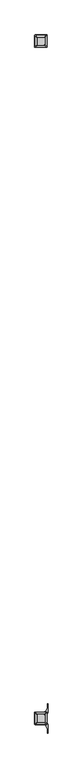
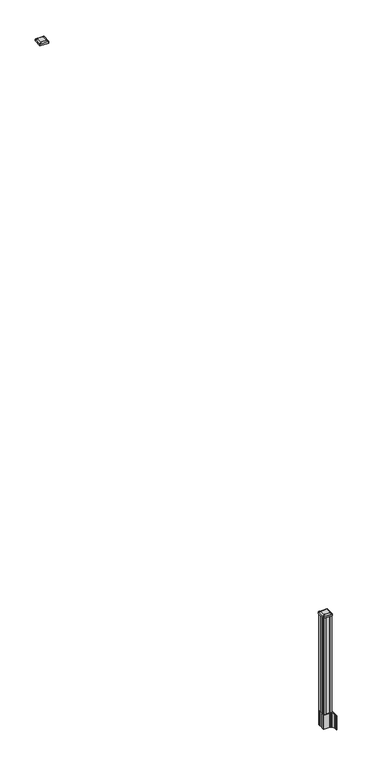
"""IFC4 building model written with IfcOpenShell, lengths in millimetres: railing geometry."""

from ifc_helpers import new_model, si_unit, point, frame, frame_2d, origin, place, context, project, spatial, polyline, circle_curve, trimmed, segment, composite_curve, outline, extrude, source, transform, mapped, element, save
from ifc_brep_helpers import plane_surface, extruded_surface, advanced_brep


def railing_51634952(model_context):
    return source(origin(), model_context, "Body", "SolidModel", [
        advanced_brep(
        [(5966.2626478, -82569.2327203, 4324.315513), (5969.4376478, -82566.0577203, 4324.315513), (5969.4376478, -82514.4639703, 4324.315513), (5966.2626478, -82511.2889703, 4324.315513), (5914.6688978, -82511.2889703, 4324.315513), (5911.4938978, -82514.4639703, 4324.315513), (5911.4938978, -82566.0577203, 4324.315513), (5914.6688978, -82569.2327203, 4324.315513), (5982.5345228, -82585.5045953, 4313.012513), (5898.3970228, -82585.5045953, 4313.012513), (5895.2220228, -82582.3295953, 4313.012513), (5895.2220228, -82498.1920953, 4313.012513), (5898.3970228, -82495.0170953, 4313.012513), (5982.5345228, -82495.0170953, 4313.012513), (5985.7095228, -82498.1920953, 4313.012513), (5985.7095228, -82582.3295953, 4313.012513)],
        [
            (0, 1, circle_curve(frame((5966.2626478, -82566.0577203, 4324.315513), z_axis=(0.0, 0.0, 1.0), x_axis=(0.0, 1.0, 0.0)), 3.175)),
            (1, 2),
            (2, 3, circle_curve(frame((5966.2626478, -82514.4639703, 4324.315513), z_axis=(0.0, 0.0, 1.0), x_axis=(0.0, 1.0, 0.0)), 3.175)),
            (3, 4),
            (4, 5, circle_curve(frame((5914.6688978, -82514.4639703, 4324.315513), z_axis=(0.0, 0.0, 1.0), x_axis=(0.0, 1.0, 0.0)), 3.175)),
            (5, 6),
            (6, 7, circle_curve(frame((5914.6688978, -82566.0577203, 4324.315513), z_axis=(0.0, 0.0, 1.0), x_axis=(0.0, 1.0, 0.0)), 3.175)),
            (7, 0),
            (8, 9),
            (9, 10, circle_curve(frame((5898.3970228, -82582.3295953, 4313.012513), z_axis=(0.0, 0.0, -1.0), x_axis=(0.0, 1.0, 0.0)), 3.175)),
            (10, 11),
            (11, 12, circle_curve(frame((5898.3970228, -82498.1920953, 4313.012513), z_axis=(0.0, 0.0, -1.0), x_axis=(0.0, 1.0, 0.0)), 3.175)),
            (12, 13),
            (13, 14, circle_curve(frame((5982.5345228, -82498.1920953, 4313.012513), z_axis=(0.0, 0.0, -1.0), x_axis=(0.0, 1.0, 0.0)), 3.175)),
            (14, 15),
            (15, 8, circle_curve(frame((5982.5345228, -82582.3295953, 4313.012513), z_axis=(0.0, 0.0, -1.0), x_axis=(0.0, 1.0, 0.0)), 3.175)),
            (15, 1),
            (0, 8),
            (14, 2),
            (13, 3),
            (12, 4),
            (11, 5),
            (10, 6),
            (9, 7),
        ],
        [
            plane_surface(frame((5940.4657728, -82540.2608453, 4324.315513), z_axis=(0.0, 0.0, 1.0), x_axis=(1.0, 0.0, 0.0))),
            plane_surface(frame((5940.4657728, -82540.2608453, 4313.012513), z_axis=(0.0, 0.0, -1.0), x_axis=(1.0, 0.0, 0.0))),
            extruded_surface(trimmed(circle_curve(frame((5982.5345228, -82582.3295953, 4313.012513), z_axis=(0.0, 0.0, 1.0), x_axis=(0.0, 1.0, 0.0)), 3.175), [point((5982.5345228, -82585.5045953, 4313.012513))], [point((5985.7095228, -82582.3295953, 4313.012513))], True, "CARTESIAN"), (-16.271874999999454, 16.27187500000582, 11.302999999999884), 25.63797263886946),
            plane_surface(frame((5985.7095228, -82540.2608453, 4313.012513), z_axis=(0.5705009161540687, 0.0, 0.8212969649690472), x_axis=(0.0, 1.0, 0.0))),
            extruded_surface(trimmed(circle_curve(frame((5982.5345228, -82498.1920953, 4313.012513), z_axis=(0.0, 0.0, 1.0), x_axis=(0.0, 1.0, 0.0)), 3.175), [point((5985.7095228, -82498.1920953, 4313.012513))], [point((5982.5345228, -82495.0170953, 4313.012513))], True, "CARTESIAN"), (-16.271874999999454, -16.27187500000582, 11.302999999999884), 25.63797263886946),
            plane_surface(frame((5940.4657728, -82495.0170953, 4313.012513), z_axis=(0.0, 0.5705009161540291, 0.8212969649690747), x_axis=(-1.0, 0.0, 0.0))),
            extruded_surface(trimmed(circle_curve(frame((5898.3970228, -82498.1920953, 4313.012513), z_axis=(0.0, 0.0, 1.0), x_axis=(0.0, 1.0, 0.0)), 3.175), [point((5898.3970228, -82495.0170953, 4313.012513))], [point((5895.2220228, -82498.1920953, 4313.012513))], True, "CARTESIAN"), (16.271875000000364, -16.27187500000582, 11.302999999999884), 25.637972638870036),
            plane_surface(frame((5895.2220228, -82540.2608453, 4313.012513), z_axis=(-0.5705009161540233, 0.0, 0.8212969649690787), x_axis=(0.0, -1.0, 0.0))),
            extruded_surface(trimmed(circle_curve(frame((5898.3970228, -82582.3295953, 4313.012513), z_axis=(0.0, 0.0, 1.0), x_axis=(0.0, 1.0, 0.0)), 3.175), [point((5895.2220228, -82582.3295953, 4313.012513))], [point((5898.3970228, -82585.5045953, 4313.012513))], True, "CARTESIAN"), (16.271875000000364, 16.27187500000582, 11.302999999999884), 25.637972638870036),
            plane_surface(frame((5940.4657728, -82585.5045953, 4313.012513), z_axis=(0.0, -0.570500916154034, 0.8212969649690713), x_axis=(1.0, 0.0, 0.0))),
        ],
        [
            (0, [[1, 2, 3, 4, 5, 6, 7, 8]]),
            (1, [[9, 10, 11, 12, 13, 14, 15, 16]]),
            (2, [[-16, 17, -1, 18]]),
            (3, [[-15, 19, -2, -17]]),
            (4, [[-14, 20, -3, -19]]),
            (5, [[-13, 21, -4, -20]]),
            (6, [[-12, 22, -5, -21]]),
            (7, [[-11, 23, -6, -22]]),
            (8, [[-10, 24, -7, -23]]),
            (9, [[-9, -18, -8, -24]]),
        ],
    ),
        extrude(outline(composite_curve([segment(polyline([(5982.5345228, -82585.5045953), (5898.3970228, -82585.5045953)]), True, "CONTINUOUS"), segment(trimmed(circle_curve(frame_2d((5898.3970228, -82582.3295953)), 3.175), [point((5898.3970228, -82585.5045953))], [point((5895.2220228, -82582.3295953))], False, "CARTESIAN"), True, "CONTINUOUS"), segment(polyline([(5895.2220228, -82582.3295953), (5895.2220228, -82498.1920953)]), True, "CONTINUOUS"), segment(trimmed(circle_curve(frame_2d((5898.3970228, -82498.1920953)), 3.175), [point((5895.2220228, -82498.1920953))], [point((5898.3970228, -82495.0170953))], False, "CARTESIAN"), True, "CONTINUOUS"), segment(polyline([(5898.3970228, -82495.0170953), (5982.5345228, -82495.0170953)]), True, "CONTINUOUS"), segment(trimmed(circle_curve(frame_2d((5982.5345228, -82498.1920953)), 3.175), [point((5982.5345228, -82495.0170953))], [point((5985.7095228, -82498.1920953))], False, "CARTESIAN"), True, "CONTINUOUS"), segment(polyline([(5985.7095228, -82498.1920953), (5985.7095228, -82582.3295953)]), True, "CONTINUOUS"), segment(trimmed(circle_curve(frame_2d((5982.5345228, -82582.3295953)), 3.175), [point((5985.7095228, -82582.3295953))], [point((5982.5345228, -82585.5045953))], False, "CARTESIAN"), True, "CONTINUOUS")], self_intersect=False)), frame((0.0, 0.0, 4295.740513), z_axis=(0.0, 0.0, 1.0), x_axis=(1.0, 0.0, 0.0)), (0.0, 0.0, 1.0), 17.272),
        extrude(outline(composite_curve([segment(polyline([(5897.7302728, -87517.2509401), (5897.7302728, -87482.4787504), (5896.1427728, -87481.7167504), (5896.1427728, -87458.9148224), (5899.5157498, -87455.5418453), (5960.9754206, -87455.5418453), (5960.9754206, -87454.6210953), (5966.2929645, -87454.6210953), (5966.2929645, -87453.1668406), (5971.3774942, -87453.1668406), (5971.3774942, -87451.8828168), (5973.0447665, -87451.8828168)]), True, "CONTINUOUS"), segment(trimmed(circle_curve(frame_2d((5973.0447665, -87444.8233569)), 7.0594599), [point((5973.0447665, -87451.8828168))], [point((5979.8120293, -87446.8333636))], True, "CARTESIAN"), True, "CONTINUOUS"), segment(polyline([(5979.8120293, -87446.8333636), (5987.6862236, -87420.3226345)]), True, "CONTINUOUS"), segment(trimmed(circle_curve(frame_2d((5932.9017103, -87404.0505848)), 57.15), [point((5987.6862236, -87420.3226345))], [point((5990.0517103, -87404.0505848))], True, "CARTESIAN"), True, "CONTINUOUS"), segment(polyline([(5990.0517103, -87404.0505848), (5990.0517103, -87392.0418453), (5993.0517103, -87392.0418453), (5993.0517103, -87457.1293453), (5984.7887728, -87468.4676366), (5984.7887728, -87481.7167504), (5983.2012728, -87482.4787504), (5983.2012728, -87517.2509401), (5984.7887728, -87518.0129401), (5984.7887728, -87531.262054), (5993.0517103, -87542.6003453), (5993.0517103, -87607.6878453), (5990.0517103, -87607.6878453), (5990.0517103, -87595.6791057)]), True, "CONTINUOUS"), segment(trimmed(circle_curve(frame_2d((5932.9017103, -87595.6791057)), 57.15), [point((5990.0517103, -87595.6791057))], [point((5987.6862236, -87579.4070561))], True, "CARTESIAN"), True, "CONTINUOUS"), segment(polyline([(5987.6862236, -87579.4070561), (5979.8120293, -87552.896327)]), True, "CONTINUOUS"), segment(trimmed(circle_curve(frame_2d((5973.0447665, -87554.9063337)), 7.0594599), [point((5979.8120293, -87552.896327))], [point((5973.0447665, -87547.8468738))], True, "CARTESIAN"), True, "CONTINUOUS"), segment(polyline([(5973.0447665, -87547.8468738), (5971.3774942, -87547.8468738), (5971.3774942, -87546.56285), (5966.2929645, -87546.56285), (5966.2929645, -87545.1085953), (5960.9754206, -87545.1085953), (5960.9754206, -87544.1878453), (5899.5157498, -87544.1878453), (5896.1427728, -87540.8148682), (5896.1427728, -87518.0129401), (5897.7302728, -87517.2509401)]), True, "CONTINUOUS")], self_intersect=False), holes=[polyline([(5981.7407728, -87460.1773453), (5980.1532728, -87458.5898453), (5943.2289902, -87458.5898453), (5900.7782728, -87458.5898453), (5899.1907728, -87460.1773453), (5899.1907728, -87539.5523453), (5900.7782728, -87541.1398453), (5943.2289902, -87541.1398453), (5980.1532728, -87541.1398453), (5981.7407728, -87539.5523453), (5981.7407728, -87460.1773453)])]), frame((0.0, 0.0, 12.22375), z_axis=(0.0, 0.0, 1.0), x_axis=(1.0, 0.0, 0.0)), (0.0, 0.0, 1.0), 152.4),
        advanced_brep(
        [(5966.2626478, -87528.8367203, 1224.563013), (5969.4376478, -87525.6617203, 1224.563013), (5969.4376478, -87474.0679703, 1224.563013), (5966.2626478, -87470.8929703, 1224.563013), (5914.6688978, -87470.8929703, 1224.563013), (5911.4938978, -87474.0679703, 1224.563013), (5911.4938978, -87525.6617203, 1224.563013), (5914.6688978, -87528.8367203, 1224.563013), (5982.5345228, -87545.1085953, 1213.260013), (5898.3970228, -87545.1085953, 1213.260013), (5895.2220228, -87541.9335953, 1213.260013), (5895.2220228, -87457.7960953, 1213.260013), (5898.3970228, -87454.6210953, 1213.260013), (5982.5345228, -87454.6210953, 1213.260013), (5985.7095228, -87457.7960953, 1213.260013), (5985.7095228, -87541.9335953, 1213.260013)],
        [
            (0, 1, circle_curve(frame((5966.2626478, -87525.6617203, 1224.563013), z_axis=(0.0, 0.0, 1.0), x_axis=(0.0, 1.0, 0.0)), 3.175)),
            (1, 2),
            (2, 3, circle_curve(frame((5966.2626478, -87474.0679703, 1224.563013), z_axis=(0.0, 0.0, 1.0), x_axis=(0.0, 1.0, 0.0)), 3.175)),
            (3, 4),
            (4, 5, circle_curve(frame((5914.6688978, -87474.0679703, 1224.563013), z_axis=(0.0, 0.0, 1.0), x_axis=(0.0, 1.0, 0.0)), 3.175)),
            (5, 6),
            (6, 7, circle_curve(frame((5914.6688978, -87525.6617203, 1224.563013), z_axis=(0.0, 0.0, 1.0), x_axis=(0.0, 1.0, 0.0)), 3.175)),
            (7, 0),
            (8, 9),
            (9, 10, circle_curve(frame((5898.3970228, -87541.9335953, 1213.260013), z_axis=(0.0, 0.0, -1.0), x_axis=(0.0, 1.0, 0.0)), 3.175)),
            (10, 11),
            (11, 12, circle_curve(frame((5898.3970228, -87457.7960953, 1213.260013), z_axis=(0.0, 0.0, -1.0), x_axis=(0.0, 1.0, 0.0)), 3.175)),
            (12, 13),
            (13, 14, circle_curve(frame((5982.5345228, -87457.7960953, 1213.260013), z_axis=(0.0, 0.0, -1.0), x_axis=(0.0, 1.0, 0.0)), 3.175)),
            (14, 15),
            (15, 8, circle_curve(frame((5982.5345228, -87541.9335953, 1213.260013), z_axis=(0.0, 0.0, -1.0), x_axis=(0.0, 1.0, 0.0)), 3.175)),
            (15, 1),
            (0, 8),
            (14, 2),
            (13, 3),
            (12, 4),
            (11, 5),
            (10, 6),
            (9, 7),
        ],
        [
            plane_surface(frame((5940.4657728, -87499.8648453, 1224.563013), z_axis=(0.0, 0.0, 1.0), x_axis=(1.0, 0.0, 0.0))),
            plane_surface(frame((5940.4657728, -87499.8648453, 1213.260013), z_axis=(0.0, 0.0, -1.0), x_axis=(1.0, 0.0, 0.0))),
            extruded_surface(trimmed(circle_curve(frame((5982.5345228, -87541.9335953, 1213.260013), z_axis=(0.0, 0.0, 1.0), x_axis=(0.0, 1.0, 0.0)), 3.175), [point((5982.5345228, -87545.1085953, 1213.260013))], [point((5985.7095228, -87541.9335953, 1213.260013))], True, "CARTESIAN"), (-16.271874999999454, 16.27187499999127, 11.302999999999884), 25.637972638860223),
            plane_surface(frame((5985.7095228, -87499.8648453, 1213.260013), z_axis=(0.5705009161540778, 0.0, 0.8212969649690408), x_axis=(0.0, 1.0, 0.0))),
            extruded_surface(trimmed(circle_curve(frame((5982.5345228, -87457.7960953, 1213.260013), z_axis=(0.0, 0.0, 1.0), x_axis=(0.0, 1.0, 0.0)), 3.175), [point((5985.7095228, -87457.7960953, 1213.260013))], [point((5982.5345228, -87454.6210953, 1213.260013))], True, "CARTESIAN"), (-16.271874999999454, -16.27187500000582, 11.302999999999884), 25.63797263886946),
            plane_surface(frame((5940.4657728, -87454.6210953, 1213.260013), z_axis=(0.0, 0.5705009161540291, 0.8212969649690747), x_axis=(-1.0, 0.0, 0.0))),
            extruded_surface(trimmed(circle_curve(frame((5898.3970228, -87457.7960953, 1213.260013), z_axis=(0.0, 0.0, 1.0), x_axis=(0.0, 1.0, 0.0)), 3.175), [point((5898.3970228, -87454.6210953, 1213.260013))], [point((5895.2220228, -87457.7960953, 1213.260013))], True, "CARTESIAN"), (16.271875000000364, -16.27187500000582, 11.302999999999884), 25.637972638870036),
            plane_surface(frame((5895.2220228, -87499.8648453, 1213.260013), z_axis=(-0.5705009161540142, 0.0, 0.8212969649690851), x_axis=(0.0, -1.0, 0.0))),
            extruded_surface(trimmed(circle_curve(frame((5898.3970228, -87541.9335953, 1213.260013), z_axis=(0.0, 0.0, 1.0), x_axis=(0.0, 1.0, 0.0)), 3.175), [point((5895.2220228, -87541.9335953, 1213.260013))], [point((5898.3970228, -87545.1085953, 1213.260013))], True, "CARTESIAN"), (16.271875000000364, 16.27187499999127, 11.302999999999884), 25.637972638860802),
            plane_surface(frame((5940.4657728, -87545.1085953, 1213.260013), z_axis=(0.0, -0.570500916154034, 0.8212969649690713), x_axis=(1.0, 0.0, 0.0))),
        ],
        [
            (0, [[1, 2, 3, 4, 5, 6, 7, 8]]),
            (1, [[9, 10, 11, 12, 13, 14, 15, 16]]),
            (2, [[-16, 17, -1, 18]]),
            (3, [[-15, 19, -2, -17]]),
            (4, [[-14, 20, -3, -19]]),
            (5, [[-13, 21, -4, -20]]),
            (6, [[-12, 22, -5, -21]]),
            (7, [[-11, 23, -6, -22]]),
            (8, [[-10, 24, -7, -23]]),
            (9, [[-9, -18, -8, -24]]),
        ],
    ),
        extrude(outline(composite_curve([segment(polyline([(5982.5345228, -87545.1085953), (5898.3970228, -87545.1085953)]), True, "CONTINUOUS"), segment(trimmed(circle_curve(frame_2d((5898.3970228, -87541.9335953)), 3.175), [point((5898.3970228, -87545.1085953))], [point((5895.2220228, -87541.9335953))], False, "CARTESIAN"), True, "CONTINUOUS"), segment(polyline([(5895.2220228, -87541.9335953), (5895.2220228, -87457.7960953)]), True, "CONTINUOUS"), segment(trimmed(circle_curve(frame_2d((5898.3970228, -87457.7960953)), 3.175), [point((5895.2220228, -87457.7960953))], [point((5898.3970228, -87454.6210953))], False, "CARTESIAN"), True, "CONTINUOUS"), segment(polyline([(5898.3970228, -87454.6210953), (5982.5345228, -87454.6210953)]), True, "CONTINUOUS"), segment(trimmed(circle_curve(frame_2d((5982.5345228, -87457.7960953)), 3.175), [point((5982.5345228, -87454.6210953))], [point((5985.7095228, -87457.7960953))], False, "CARTESIAN"), True, "CONTINUOUS"), segment(polyline([(5985.7095228, -87457.7960953), (5985.7095228, -87541.9335953)]), True, "CONTINUOUS"), segment(trimmed(circle_curve(frame_2d((5982.5345228, -87541.9335953)), 3.175), [point((5985.7095228, -87541.9335953))], [point((5982.5345228, -87545.1085953))], False, "CARTESIAN"), True, "CONTINUOUS")], self_intersect=False)), frame((0.0, 0.0, 1195.988013), z_axis=(0.0, 0.0, 1.0), x_axis=(1.0, 0.0, 0.0)), (0.0, 0.0, 1.0), 17.272),
        extrude(outline(polyline([(5980.1532728, -87541.1398453), (5960.5317728, -87541.1398453), (5959.7697728, -87539.5523453), (5921.1617728, -87539.5523453), (5920.3997728, -87541.1398453), (5900.7782728, -87541.1398453), (5899.1907728, -87539.5523453), (5899.1907728, -87519.9308453), (5900.7782728, -87519.1688453), (5900.7782728, -87480.5608453), (5899.1907728, -87479.7988453), (5899.1907728, -87460.1773453), (5900.7782728, -87458.5898453), (5920.3997728, -87458.5898453), (5921.1617728, -87460.1773453), (5959.7697728, -87460.1773453), (5960.5317728, -87458.5898453), (5980.1532728, -87458.5898453), (5981.7407728, -87460.1773453), (5981.7407728, -87479.7988453), (5980.1532728, -87480.5608453), (5980.1532728, -87519.1688453), (5981.7407728, -87519.9308453), (5981.7407728, -87539.5523453), (5980.1532728, -87541.1398453)])), frame((0.0, 0.0, 164.62375), z_axis=(0.0, 0.0, 1.0), x_axis=(1.0, 0.0, 0.0)), (0.0, 0.0, 1.0), 1031.364263),
    ])


if __name__ == "__main__":
    model = new_model("IFC4")
    model_context = context("Model", 3, world=origin())
    ifc_project = project(units=[si_unit("LENGTHUNIT", "METRE", prefix="MILLI")], contexts=[model_context])
    site = spatial("IfcSite", under=ifc_project)
    building = spatial("IfcBuilding", under=site)
    placement = place(None, origin())
    railing_shape = railing_51634952(model_context)
    element("IfcRailing", 1, at=placement, inside=building, context=model_context, shape_type="MappedRepresentation", body=[
        mapped(railing_shape, transform((0.0, 0.0, 0.0), x_axis=(1.0, 0.0, 0.0), y_axis=(0.0, 1.0, 0.0), z_axis=(0.0, 0.0, 1.0))),
    ])
    save(model, "model.ifc")
